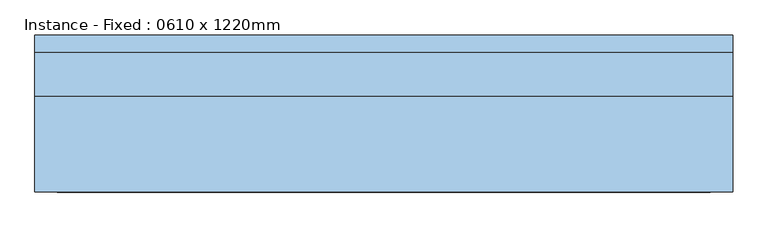
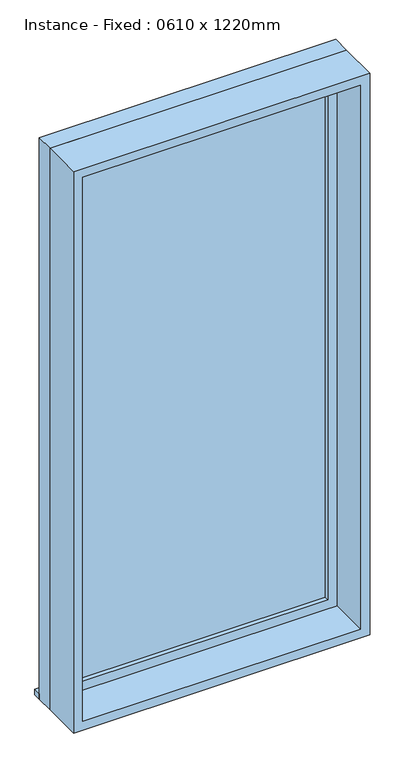
"""IFC4 building model written with IfcOpenShell, lengths in millimetres: window geometry, Instance - Fixed : 0610 x 1220mm."""

from ifc_helpers import new_model, si_unit, frame, origin, place, context, project, spatial, polyline, outline, extrude, source, transform, mapped, element, save


def instance_fixed_0610_x_1220mm_a3378f25(model_context):
    return source(origin(), model_context, "Body", "SweptSolid", [
        extrude(outline(polyline([(-538.1, 125.4), (461.9, 125.4), (461.9, 100.0), (-538.1, 100.0), (-538.1, 125.4)])), frame((0.0, 0.0, 915.0), z_axis=(0.0, 0.0, 1.0), x_axis=(1.0, 0.0, 0.0)), (0.0, 0.0, 1.0), 19.05),
        extrude(outline(polyline([(398.4, 52.425), (-474.6, 52.425), (-474.6, 65.125), (398.4, 65.125), (398.4, 52.425)])), frame((0.0, 0.0, 978.5), z_axis=(0.0, 0.0, 1.0), x_axis=(1.0, 0.0, 0.0)), (0.0, 0.0, 1.0), 1873.0),
        extrude(outline(polyline([(2895.95, -519.05), (934.05, -519.05), (934.05, 442.85), (2895.95, 442.85), (2895.95, -519.05)]), holes=[polyline([(2851.5, -474.6), (2851.5, 398.4), (978.5, 398.4), (978.5, -474.6), (2851.5, -474.6)])]), frame((0.0, 36.55, 0.0), z_axis=(0.0, 1.0, 0.0), x_axis=(0.0, 0.0, 1.0)), (0.0, 0.0, 1.0), 44.45),
        extrude(outline(polyline([(2915.0, -538.1), (915.0, -538.1), (915.0, 461.9), (2915.0, 461.9), (2915.0, -538.1)]), holes=[polyline([(2883.25, -506.35), (2883.25, 430.15), (946.75, 430.15), (946.75, -506.35), (2883.25, -506.35)])]), frame((0.0, -100.0, 0.0), z_axis=(0.0, 1.0, 0.0), x_axis=(0.0, 0.0, 1.0)), (0.0, 0.0, 1.0), 136.55),
        extrude(outline(polyline([(2915.0, 461.9), (2915.0, -538.1), (915.0, -538.1), (915.0, 461.9), (2915.0, 461.9)]), holes=[polyline([(2895.95, 442.85), (934.05, 442.85), (934.05, -519.05), (2895.95, -519.05), (2895.95, 442.85)])]), frame((0.0, 36.55, 0.0), z_axis=(0.0, 1.0, 0.0), x_axis=(0.0, 0.0, 1.0)), (0.0, 0.0, 1.0), 63.45),
    ])


if __name__ == "__main__":
    model = new_model("IFC4")
    model_context = context("Model", 3, world=origin())
    ifc_project = project(units=[si_unit("LENGTHUNIT", "METRE", prefix="MILLI")], contexts=[model_context])
    site = spatial("IfcSite", under=ifc_project)
    building = spatial("IfcBuilding", under=site)
    placement = place(None, origin())
    instance_fixed_0610_x_1220mm_shape = instance_fixed_0610_x_1220mm_a3378f25(model_context)
    element("IfcWindow", 1, ObjectType="Instance - Fixed : 0610 x 1220mm", at=placement, inside=building, context=model_context, shape_type="MappedRepresentation", body=[
        mapped(instance_fixed_0610_x_1220mm_shape, transform((0.0, 0.0, 0.0), x_axis=(1.0, 0.0, 0.0), y_axis=(0.0, 1.0, 0.0), z_axis=(0.0, 0.0, 1.0))),
    ])
    save(model, "model.ifc")
